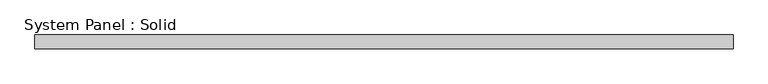
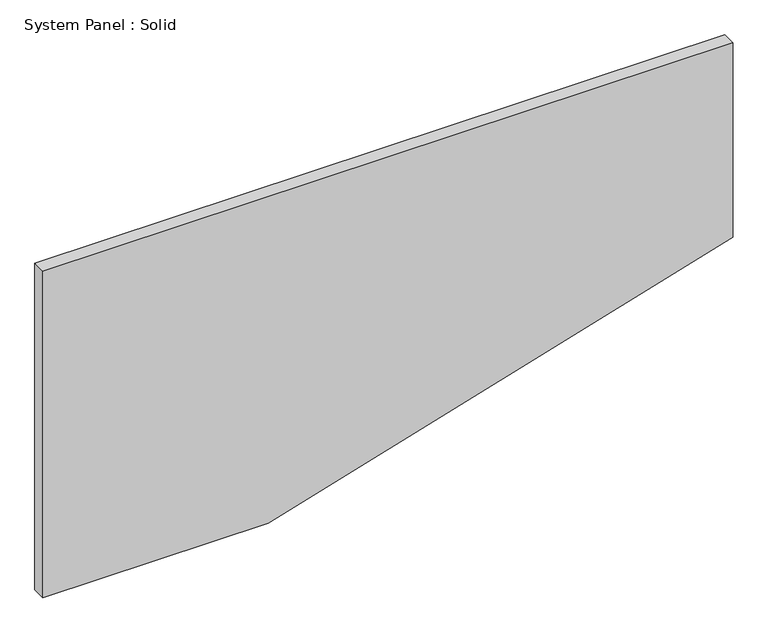
"""IFC4 building model written with IfcOpenShell, lengths in millimetres: plate geometry, System Panel : Solid."""

from ifc_helpers import new_model, si_unit, frame, origin, place, context, project, spatial, polyline, outline, extrude, source, transform, mapped, element, save


def system_panel_solid_70e6e2cc(model_context):
    return source(origin(), model_context, "Body", "SweptSolid", [
        extrude(outline(polyline([(0.0, -1500.0), (0.0, -519.4188946), (607.0044038, 1500.0), (1500.0, 1500.0), (1500.0, -1500.0), (0.0, -1500.0)])), frame((0.0, -10.5, 0.0), z_axis=(0.0, 1.0, 0.0), x_axis=(0.0, 0.0, 1.0)), (0.0, 0.0, 1.0), 60.0),
    ])


if __name__ == "__main__":
    model = new_model("IFC4")
    model_context = context("Model", 3, world=origin())
    ifc_project = project(units=[si_unit("LENGTHUNIT", "METRE", prefix="MILLI")], contexts=[model_context])
    site = spatial("IfcSite", under=ifc_project)
    building = spatial("IfcBuilding", under=site)
    placement = place(None, origin())
    system_panel_solid_shape = system_panel_solid_70e6e2cc(model_context)
    element("IfcPlate", 1, ObjectType="System Panel : Solid", at=placement, inside=building, context=model_context, shape_type="MappedRepresentation", body=[
        mapped(system_panel_solid_shape, transform((0.0, 0.0, 0.0), x_axis=(1.0, 0.0, 0.0), y_axis=(0.0, 1.0, 0.0), z_axis=(0.0, 0.0, 1.0))),
    ])
    save(model, "model.ifc")
